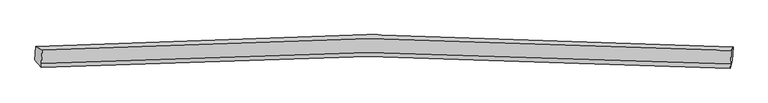
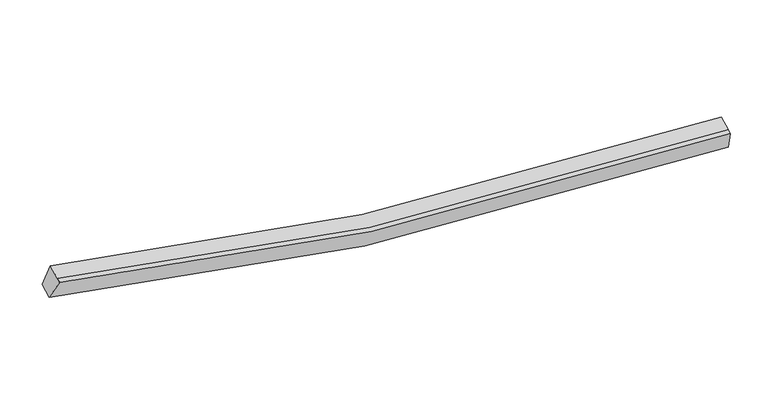
"""IFC4 building model written with IfcOpenShell, lengths in millimetres: proxy geometry."""

from ifc_helpers import new_model, si_unit, frame, origin, place, context, project, spatial, source, transform, mapped, element, save
from ifc_brep_helpers import plane_surface, spline_curve, spline_surface, advanced_brep


def generic_models_de35dc63(model_context):
    return source(origin(), model_context, "Body", "AdvancedBrep", [
        advanced_brep(
        [(-11094.5946907, -1846.2498901, 4504.394593), (-10875.390409, -1967.2436903, 5185.3666968), (12234.8325937, -1989.2581131, 2529.0837531), (12296.9458454, -1868.4418057, 1816.3717589), (-10896.0513437, -2419.4217819, 5004.7729778), (12214.171659, -2441.4362048, 2348.4900342), (-10902.6225391, -2563.2366971, 4947.3352761), (12207.6004636, -2585.2511199, 2291.0523324), (-11115.4940774, -2303.6466605, 4321.7166054), (12276.0464587, -2325.8385761, 1633.6937713)],
        [
            (0, 1),
            (1, 2, spline_curve(3, [(-10875.390409, -1967.2436903, 5185.3666968), (-7252.631833455, -1718.367562551, 4165.222134566), (-3596.161033674, -1590.491307674, 3430.643487422), (4101.205836924, -1576.1478304, 2494.046108454), (8148.142705413, -1711.362227333, 2343.197108425), (12234.8325937, -1989.2581131, 2529.0837531)], [4, 2, 4], [0.0, 36.95181812333491, 77.07793861085119])),
            (2, 3),
            (3, 0, spline_curve(3, [(12296.9458454, -1868.4418057, 1816.3717589), (8159.642725232, -1586.827016373, 1626.964004351), (4063.027638523, -1449.813711082, 1778.992289494), (-3727.969660571, -1464.389781312, 2726.883893669), (-7428.534752805, -1594.005781497, 3470.863220939), (-11094.5946907, -1846.2498901, 4504.394593)], [4, 2, 4], [0.0, 40.12612048751628, 77.07793861085119])),
            (1, 4),
            (4, 5, spline_curve(3, [(-10896.0513437, -2419.4217819, 5004.7729778), (-7273.699948392, -2179.457038026, 3981.069331337), (-3617.441121777, -2056.219974031, 3244.637855253), (4079.890770932, -2042.642018752, 2307.734736954), (8127.039612411, -2173.217225132, 2158.738567186), (12214.171659, -2441.4362048, 2348.4900342)], [4, 2, 4], [0.0, 36.72805027713584, 76.611180405481])),
            (5, 2),
            (4, 6),
            (6, 7, spline_curve(3, [(-10902.6225391, -2563.2366971, 4947.3352761), (-7280.271142874, -2323.271953145, 3923.631630068), (-3624.012317353, -2200.034888531, 3187.200152444), (4073.319575931, -2186.456934503, 2250.29703625), (8120.468417853, -2317.032140956, 2101.30086539), (12207.6004636, -2585.2511199, 2291.0523324)], [4, 2, 4], [0.0, 36.72803998348817, 76.61115893392198])),
            (7, 5),
            (6, 8),
            (8, 9, spline_curve(3, [(-11115.4940774, -2303.6466605, 4321.7166054), (-7449.841319124, -2060.313936104, 3284.626149696), (-3749.48820026, -1935.337127068, 2538.79399317), (4041.474120082, -1921.526577374, 1590.596648891), (8138.301180983, -2053.900692315, 1440.421194511), (12276.0464587, -2325.8385761, 1633.6937713)], [4, 2, 4], [0.0, 36.95178258590003, 77.07786448318])),
            (9, 7),
            (8, 0),
            (3, 9),
        ],
        [
            spline_surface(3, 3, [[(-11094.5946907, -1846.2498901, 4504.394593), (-7428.534753236, -1594.005781791, 3470.863221177), (-3727.969660903, -1464.389781616, 2726.883894017), (4063.027638884, -1449.813710752, 1778.992289116), (8159.642725242, -1586.827016122, 1626.964004904), (12296.9458454, -1868.4418057, 1816.3717589)], [(-11021.526596816, -1886.581156818, 4731.385294271), (-7369.90044684, -1635.459708821, 3702.316192472), (-3684.033451953, -1506.423623452, 2961.470425023), (4075.75370506, -1491.925084169, 2017.343562374), (8155.809385152, -1628.338753317, 1865.708372947), (12276.24142815, -1908.713908167, 2053.942423654)], [(-10948.458502884, -1926.912423582, 4958.375995529), (-7311.266140397, -1676.913635899, 3933.769163754), (-3640.09724304, -1548.457465285, 3196.056956021), (4088.479771199, -1534.036457583, 2255.694835625), (8151.976045113, -1669.85049051, 2104.452740927), (12255.53701095, -1948.986010633, 2291.513088346)], [(-10875.390409, -1967.2436903, 5185.3666968), (-7252.631834, -1718.367562929, 4165.222135049), (-3596.161034089, -1590.491307121, 3430.643487027), (4101.205837375, -1576.147831, 2494.046108884), (8148.142705023, -1711.362227705, 2343.19710897), (12234.8325937, -1989.2581131, 2529.0837531)]], [4, 4], [4, 2, 4], [0.0, 2.38036263412787], [0.0, 36.95181812333491, 77.07793861085119]),
            spline_surface(3, 3, [[(-10875.390409, -1967.2436903, 5185.3666968), (-7252.631834, -1718.367562929, 4165.222135049), (-3596.161034089, -1590.491307121, 3430.643487027), (4101.205837375, -1576.147831, 2494.046108884), (8148.142705023, -1711.362227705, 2343.19710897), (12234.8325937, -1989.2581131, 2529.0837531)], [(-10882.277387235, -2117.969720847, 5125.168790482), (-7259.654538641, -1872.06405478, 4103.837867287), (-3603.254396744, -1745.734195909, 3368.641609568), (4094.100815303, -1731.645893764, 2431.942318444), (8141.108340966, -1865.313893531, 2281.710928227), (12227.945615465, -2139.984143647, 2468.885846782)], [(-10889.164365465, -2268.695751353, 5064.970884118), (-7266.677243276, -2025.760546588, 4042.453599479), (-3610.347759364, -1900.977084723, 3306.63973213), (4086.995793267, -1887.143956554, 2369.838528025), (8134.073976914, -2019.265559415, 2220.224747538), (12221.058637235, -2290.710174253, 2408.687940518)], [(-10896.0513437, -2419.4217819, 5004.7729778), (-7273.699947917, -2179.457038439, 3981.069331717), (-3617.441122019, -2056.219973511, 3244.637854671), (4079.890771195, -2042.642019317, 2307.734737586), (8127.039612856, -2173.217225241, 2158.738566795), (12214.171659, -2441.4362048, 2348.4900342)]], [4, 4], [4, 2, 4], [0.0, 1.6481999633098563], [0.0, 36.72805027713584, 76.611180405481]),
            spline_surface(3, 3, [[(-10896.0513437, -2419.4217819, 5004.7729778), (-7273.699947917, -2179.457038439, 3981.069331717), (-3617.441122019, -2056.219973511, 3244.637854671), (4079.890771195, -2042.642019317, 2307.734737586), (8127.039612856, -2173.217225241, 2158.738566795), (12214.171659, -2441.4362048, 2348.4900342)], [(-10898.241742148, -2467.360086939, 4985.627077219), (-7275.890346365, -2227.395343478, 3961.923431136), (-3619.631520468, -2104.15827855, 3225.491954091), (4077.700372747, -2090.580324356, 2288.588837005), (8124.849214408, -2221.155530281, 2139.592666214), (12211.981260552, -2489.374509839, 2329.344133619)], [(-10900.432140652, -2515.298392061, 4966.481176681), (-7278.080744869, -2275.3336486, 3942.777530598), (-3621.821918871, -2152.096583571, 3206.346053452), (4075.509974343, -2138.518629377, 2269.442936367), (8122.658815905, -2269.093835302, 2120.446765576), (12209.790862048, -2537.312814861, 2310.198232981)], [(-10902.6225391, -2563.2366971, 4947.3352761), (-7280.271143317, -2323.271953639, 3923.631630017), (-3624.012317319, -2200.034888611, 3187.200152871), (4073.319575895, -2186.456934417, 2250.297035786), (8120.468417456, -2317.032140341, 2101.300864995), (12207.6004636, -2585.2511199, 2291.0523324)]], [4, 4], [4, 2, 4], [0.0, 0.5085301837270333], [0.0, 36.72803998348817, 76.61115893392198]),
            spline_surface(3, 3, [[(-10902.6225391, -2563.2366971, 4947.3352761), (-7280.271143317, -2323.271953639, 3923.631630017), (-3624.012317319, -2200.034888611, 3187.200152871), (4073.319575895, -2186.456934417, 2250.297035786), (8120.468417456, -2317.032140341, 2101.300864995), (12207.6004636, -2585.2511199, 2291.0523324)], [(-10973.579718543, -2476.706684916, 4738.79571921), (-7336.794535272, -2235.619281142, 3710.629803103), (-3665.837611828, -2111.802301308, 2971.064766247), (4062.70442416, -2098.146815533, 2030.396906908), (8126.412671987, -2229.32165768, 1881.007641333), (12230.415795291, -2498.780271966, 2071.932812027)], [(-11044.536897957, -2390.176672684, 4530.25616229), (-7393.317927198, -2147.966608598, 3497.627976159), (-3707.662906324, -2023.569714008, 2754.929379587), (4052.089272439, -2009.836696652, 1810.496777995), (8132.356926544, -2141.61117502, 1660.714417691), (12253.231127009, -2412.309424034, 1852.813291673)], [(-11115.4940774, -2303.6466605, 4321.7166054), (-7449.841319153, -2060.3139361, 3284.626149244), (-3749.488200833, -1935.337126705, 2538.793992962), (4041.474120704, -1921.526577768, 1590.596649117), (8138.301181075, -2053.900692359, 1440.421194029), (12276.0464587, -2325.8385761, 1633.6937713)]], [4, 4], [4, 2, 4], [0.0, 2.329367057779332], [0.0, 36.95178258590003, 77.07786448318]),
            spline_surface(3, 3, [[(-11115.4940774, -2303.6466605, 4321.7166054), (-7449.841319153, -2060.3139361, 3284.626149244), (-3749.488200833, -1935.337126705, 2538.793992962), (4041.474120704, -1921.526577768, 1590.596649117), (8138.301181075, -2053.900692359, 1440.421194029), (12276.0464587, -2325.8385761, 1633.6937713)], [(-11108.527615158, -2151.18107038, 4382.609267918), (-7442.739130505, -1904.877884677, 3346.705173207), (-3742.315354171, -1778.354678345, 2601.49062662), (4048.658626783, -1764.288955432, 1653.395195757), (8145.41502914, -1898.20946696, 1502.602130972), (12283.012920942, -2173.37298598, 1694.586433818)], [(-11101.561152942, -1998.71548022, 4443.501930482), (-7435.636941884, -1749.441833214, 3408.784197215), (-3735.142507566, -1621.372229976, 2664.187260359), (4055.843132805, -1607.051333087, 1716.193742476), (8152.528877177, -1742.518241521, 1564.783067961), (12289.979383158, -2020.90739582, 1755.479096382)], [(-11094.5946907, -1846.2498901, 4504.394593), (-7428.534753236, -1594.005781791, 3470.863221177), (-3727.969660903, -1464.389781616, 2726.883894017), (4063.027638884, -1449.813710752, 1778.992289116), (8159.642725242, -1586.827016122, 1626.964004904), (12296.9458454, -1868.4418057, 1816.3717589)]], [4, 4], [4, 2, 4], [0.0, 1.6666532346192653], [0.0, 37.17553558277622, 77.54459171429087]),
            plane_surface(frame((12253.8563404, -2192.1974037, 2067.550404), z_axis=(0.9944391275632453, -0.07497512191925412, 0.07395642409179023), x_axis=(0.09640280996172626, 0.36536978000225506, -0.9258571283370816))),
            plane_surface(frame((-10997.0254291, -2170.0942345, 4739.7032928), z_axis=(-0.9530536221108626, -0.07374638284130128, 0.2936839532544966), x_axis=(-0.04239480867671664, -0.9278381620488937, -0.3705658176936931))),
        ],
        [
            (0, [[1, 2, 3, 4]]),
            (1, [[5, 6, 7, -2]]),
            (2, [[8, 9, 10, -6]]),
            (3, [[11, 12, 13, -9]]),
            (4, [[14, -4, 15, -12]]),
            (5, [[-13, -15, -3, -7, -10]]),
            (6, [[-14, -11, -8, -5, -1]]),
        ],
    ),
    ])


if __name__ == "__main__":
    model = new_model("IFC4")
    model_context = context("Model", 3, world=origin())
    ifc_project = project(units=[si_unit("LENGTHUNIT", "METRE", prefix="MILLI")], contexts=[model_context])
    site = spatial("IfcSite", under=ifc_project)
    building = spatial("IfcBuilding", under=site)
    placement = place(None, origin())
    generic_models_shape = generic_models_de35dc63(model_context)
    element("IfcBuildingElementProxy", 1, Name="Generic Models", at=placement, inside=building, context=model_context, shape_type="MappedRepresentation", body=[
        mapped(generic_models_shape, transform((0.0, 0.0, 0.0), x_axis=(1.0, 0.0, 0.0), y_axis=(0.0, 1.0, 0.0), z_axis=(0.0, 0.0, 1.0))),
    ])
    save(model, "model.ifc")
